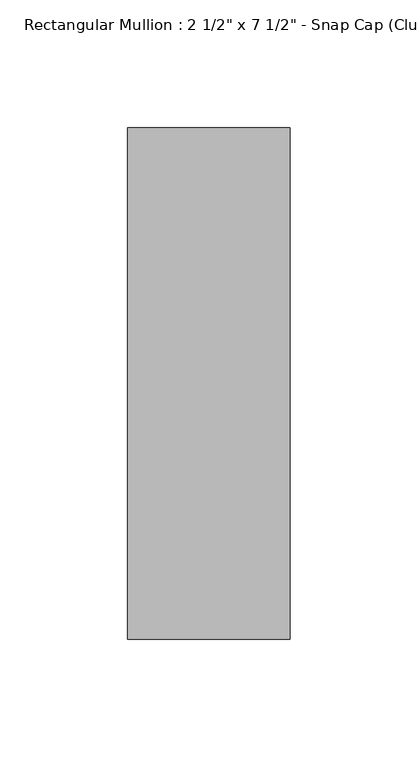
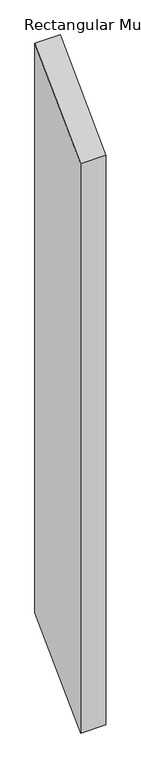
"""IFC4 building model written with IfcOpenShell, lengths in millimetres: member geometry."""

from ifc_helpers import new_model, si_unit, frame, origin, place, context, project, spatial, polyline, outline, extrude, source, transform, mapped, element, save


def member_f1630880(model_context):
    return source(origin(), model_context, "Body", "SweptSolid", [
        extrude(outline(polyline([(-174.2, -174.2), (25.8, 25.8), (25.8, -1493.9690717), (-174.2, -1693.9690717), (-174.2, -174.2)])), frame((-31.75, 0.0, 0.0), z_axis=(1.0, 0.0, 0.0), x_axis=(0.0, 1.0, 0.0)), (0.0, 0.0, 1.0), 63.5),
    ])


if __name__ == "__main__":
    model = new_model("IFC4")
    model_context = context("Model", 3, world=origin())
    ifc_project = project(units=[si_unit("LENGTHUNIT", "METRE", prefix="MILLI")], contexts=[model_context])
    site = spatial("IfcSite", under=ifc_project)
    building = spatial("IfcBuilding", under=site)
    placement = place(None, origin())
    member_shape = member_f1630880(model_context)
    element("IfcMember", 1, ObjectType="Rectangular Mullion : 2 1/2\" x 7 1/2\" - Snap Cap (Club)", at=placement, inside=building, context=model_context, shape_type="MappedRepresentation", body=[
        mapped(member_shape, transform((0.0, 0.0, 0.0), x_axis=(1.0, 0.0, 0.0), y_axis=(0.0, 1.0, 0.0), z_axis=(0.0, 0.0, 1.0))),
    ])
    save(model, "model.ifc")
